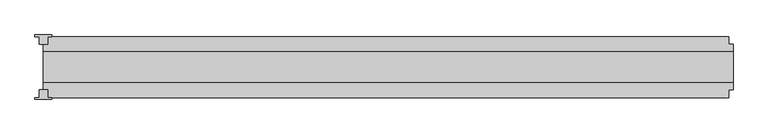
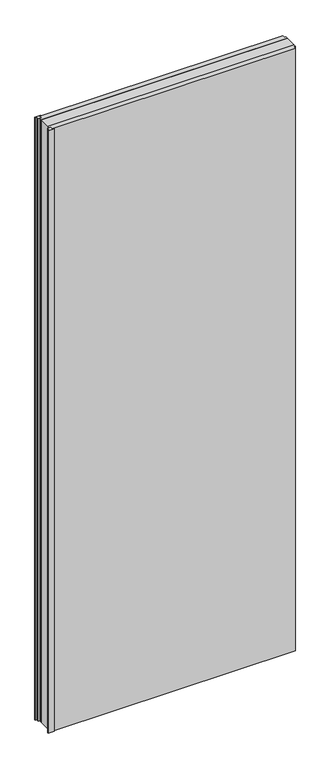
"""IFC4 building model written with IfcOpenShell, lengths in millimetres: plate geometry."""

from ifc_helpers import new_model, si_unit, origin, origin_with_axes, place, context, project, spatial, polyline, outline, extrude, source, transform, mapped, element, save


def plate_00835d63(model_context):
    return source(origin(), model_context, "Body", "SweptSolid", [
        extrude(outline(polyline([(-552.5, -53.0), (-580.5, -53.0), (-580.5, -50.0), (-573.5, -50.0), (-573.5, -37.5), (-559.5, -37.5), (-559.5, -50.0), (-552.5, -50.0), (-552.5, -53.0)])), origin_with_axes(), (0.0, 0.0, 1.0), 2930.0),
        extrude(outline(polyline([(-552.5, 53.0), (-552.5, 50.0), (-559.5, 50.0), (-559.5, 37.5), (-573.5, 37.5), (-573.5, 50.0), (-580.5, 50.0), (-580.5, 53.0), (-552.5, 53.0)])), origin_with_axes(), (0.0, 0.0, 1.0), 2930.0),
        extrude(outline(polyline([(566.5, 25.0), (566.5, -25.0), (-566.5, -25.0), (-566.5, 25.0), (566.5, 25.0)])), origin_with_axes(), (0.0, 0.0, 1.0), 2930.0),
        extrude(outline(polyline([(566.5, 25.0), (-566.5, 25.0), (-566.5, 37.5), (-559.5, 37.5), (-559.5, 50.0), (559.5, 50.0), (559.5, 37.5), (566.5, 37.5), (566.5, 25.0)])), origin_with_axes(), (0.0, 0.0, 1.0), 2930.0),
        extrude(outline(polyline([(-566.5, -25.0), (566.5, -25.0), (566.5, -37.5), (559.5, -37.5), (559.5, -50.0), (-559.5, -50.0), (-559.5, -37.5), (-566.5, -37.5), (-566.5, -25.0)])), origin_with_axes(), (0.0, 0.0, 1.0), 2930.0),
    ])


if __name__ == "__main__":
    model = new_model("IFC4")
    model_context = context("Model", 3, world=origin())
    ifc_project = project(units=[si_unit("LENGTHUNIT", "METRE", prefix="MILLI")], contexts=[model_context])
    site = spatial("IfcSite", under=ifc_project)
    building = spatial("IfcBuilding", under=site)
    placement = place(None, origin())
    plate_shape = plate_00835d63(model_context)
    element("IfcPlate", 1, at=placement, inside=building, context=model_context, shape_type="MappedRepresentation", body=[
        mapped(plate_shape, transform((0.0, 0.0, 0.0), x_axis=(1.0, 0.0, 0.0), y_axis=(0.0, 1.0, 0.0), z_axis=(0.0, 0.0, 1.0))),
    ])
    save(model, "model.ifc")
